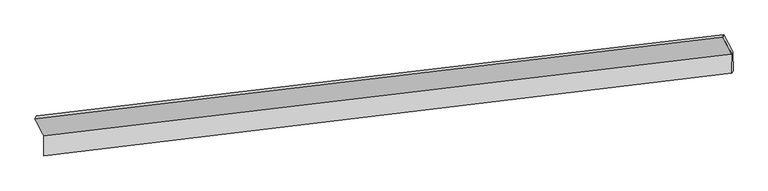
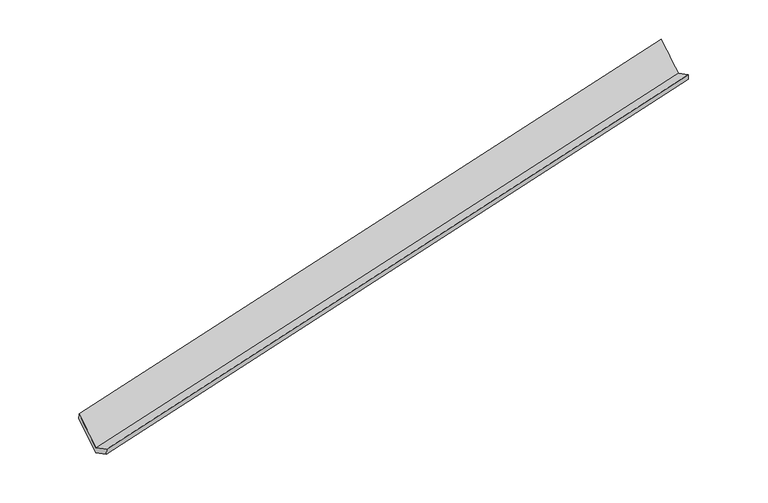
"""IFC4 building model written with IfcOpenShell, lengths in millimetres: proxy geometry."""

import ifcopenshell
import ifcopenshell.guid

model = None  # the IFC model being written
_history = None  # IfcOwnerHistory: only IFC2X3 demands one
_inside = {}  # id of a spatial element -> (the spatial element, [elements in it])
_under = {}  # id of a project, library or spatial element -> (it, [spatial elements below it])
_declared = {}  # id of a project -> (the project, [libraries it declares])
_typed = {}  # id of a type object -> (the type object, [elements of that type])
_made_of = {}  # id of a material, layer set ... -> (it, [elements and type objects made of it])


def new_model(schema):
    """Start an empty IFC model of exactly this schema.

    Asked for "IFC4X3", IfcOpenShell would pick the latest addendum, in which some entities
    have other attributes; the version numbers below select the first issue.
    IFC2X3 requires an IfcOwnerHistory on every rooted entity: one is made here for all.
    """
    global model, _history
    if schema == "IFC4X3":
        model = ifcopenshell.file(schema_version=(4, 3, 0, 0))
    else:
        model = ifcopenshell.file(schema=schema)
    _inside.clear()
    _under.clear()
    _declared.clear()
    _typed.clear()
    _made_of.clear()
    _history = None
    if model.schema == "IFC2X3":
        org = make("IfcOrganization", Name="unknown")
        user = make(
            "IfcPersonAndOrganization",
            ThePerson=make("IfcPerson", FamilyName="unknown"),
            TheOrganization=org,
        )
        app = make(
            "IfcApplication",
            ApplicationDeveloper=org,
            Version="unknown",
            ApplicationFullName="unknown",
            ApplicationIdentifier="unknown",
        )
        _history = make(
            "IfcOwnerHistory",
            OwningUser=user,
            OwningApplication=app,
            ChangeAction="ADDED",
            CreationDate=0,
        )
    return model


def make(cls, **values):
    """One entity of the class cls with the attributes given. An attribute that is None is left unset."""
    return model.create_entity(
        cls, **{name: value for name, value in values.items() if value is not None}
    )


def rooted(cls, **values):
    """An entity with a GlobalId (a new one), such as an element, a storey or a relation."""
    return make(cls, GlobalId=ifcopenshell.guid.new(), OwnerHistory=_history, **values)


def si_unit(unit_type, name, prefix=None):
    """IfcSIUnit, for example si_unit("LENGTHUNIT", "METRE", prefix="MILLI")."""
    return make("IfcSIUnit", UnitType=unit_type, Prefix=prefix, Name=name)


def assignment(units):
    """IfcUnitAssignment: the units of a project."""
    return None if units is None else make("IfcUnitAssignment", Units=units)


def point(xyz):
    """IfcCartesianPoint."""
    return None if xyz is None else make("IfcCartesianPoint", Coordinates=xyz)


def direction(xyz):
    """IfcDirection."""
    return None if xyz is None else make("IfcDirection", DirectionRatios=xyz)


def frame(location, z_axis=None, x_axis=None):
    """IfcAxis2Placement3D, a coordinate frame: its origin and axes. An axis left out is left unset."""
    return make(
        "IfcAxis2Placement3D",
        Location=point(location),
        Axis=direction(z_axis),
        RefDirection=direction(x_axis),
    )


def origin():
    """The frame at (0, 0, 0) with its axes left unset."""
    return frame((0.0, 0.0, 0.0))


def place(relative_to, where):
    """IfcLocalPlacement: puts the frame where relative to a parent placement (None: the world)."""
    return make(
        "IfcLocalPlacement", PlacementRelTo=relative_to, RelativePlacement=where
    )


def context(
    kind, dimensions, precision=None, world=None, true_north=None, identifier=None
):
    """IfcGeometricRepresentationContext, for example the 3D "Model" context."""
    return make(
        "IfcGeometricRepresentationContext",
        ContextIdentifier=identifier,
        ContextType=kind,
        CoordinateSpaceDimension=dimensions,
        Precision=precision,
        WorldCoordinateSystem=world,
        TrueNorth=true_north,
    )


def project(units=None, contexts=None):
    """IfcProject with its units and contexts."""
    return rooted(
        "IfcProject",
        Name="project",
        RepresentationContexts=contexts,
        UnitsInContext=assignment(units),
    )


def spatial(cls, under=None, at=None, **own):
    """A site, building, storey or space (cls), placed at a placement, below another one or the project."""
    s = rooted(cls, ObjectPlacement=at, **own)
    if under is not None:
        _under.setdefault(under.id(), (under, []))[1].append(s)
    return s


def shape(context_of_items, identifier, shape_type, items):
    """IfcShapeRepresentation: the items that make up one representation, for example the "Body"."""
    return make(
        "IfcShapeRepresentation",
        ContextOfItems=context_of_items,
        RepresentationIdentifier=identifier,
        RepresentationType=shape_type,
        Items=items,
    )


def source(mapping_origin, context_of_items, identifier, shape_type, items):
    """IfcRepresentationMap: a shape defined once, which mapped items show again and again."""
    return make(
        "IfcRepresentationMap",
        MappingOrigin=mapping_origin,
        MappedRepresentation=shape(context_of_items, identifier, shape_type, items),
    )


def transform(
    local_origin,
    x_axis=None,
    y_axis=None,
    z_axis=None,
    scale=None,
    scale2=None,
    scale3=None,
    uniform=True,
):
    """IfcCartesianTransformationOperator3D, or its non-uniform kind. x_axis, y_axis, z_axis: its Axis1, 2, 3."""
    if uniform:
        return make(
            "IfcCartesianTransformationOperator3D",
            Axis1=direction(x_axis),
            Axis2=direction(y_axis),
            LocalOrigin=point(local_origin),
            Scale=scale,
            Axis3=direction(z_axis),
        )
    return make(
        "IfcCartesianTransformationOperator3DnonUniform",
        Axis1=direction(x_axis),
        Axis2=direction(y_axis),
        LocalOrigin=point(local_origin),
        Scale=scale,
        Axis3=direction(z_axis),
        Scale2=scale2,
        Scale3=scale3,
    )


def mapped(mapping_source, mapping_target):
    """IfcMappedItem: shows the shape of a source again, moved by a transform."""
    return make(
        "IfcMappedItem", MappingSource=mapping_source, MappingTarget=mapping_target
    )


def made_of(thing, what):
    """Note that an element or type object is made of a material, layer set ...; save() writes the relation."""
    if what is not None:
        _made_of.setdefault(what.id(), (what, []))[1].append(thing)
    return thing


def element(
    cls,
    number,
    at=None,
    inside=None,
    cuts=None,
    type_object=None,
    material=None,
    context=None,
    identifier="Body",
    shape_type=None,
    held_by="IfcProductDefinitionShape",
    body=None,
    shapes=None,
    **own,
):
    """One element of the class cls, such as IfcWall. Its Tag is "e" and its number.

    at: its placement. inside: the storey or other place that contains it. cuts: it is an
    opening in that element (IfcRelVoidsElement). A single representation is given by context,
    identifier, shape_type and body (its items); several are given by shapes. held_by: the class
    of the entity that holds the representations. save() writes the other relations.
    """
    e = rooted(cls, Tag="e%d" % number, ObjectPlacement=at, **own)
    if body is not None:
        shapes = [shape(context, identifier, shape_type, body)]
    if shapes is not None:
        e.Representation = make(held_by, Representations=shapes)
    if inside is not None:
        _inside.setdefault(inside.id(), (inside, []))[1].append(e)
    if cuts is not None:
        rooted(
            "IfcRelVoidsElement", RelatingBuildingElement=cuts, RelatedOpeningElement=e
        )
    if type_object is not None:
        _typed.setdefault(type_object.id(), (type_object, []))[1].append(e)
    return made_of(e, material)


def aggregate(whole, parts):
    """IfcRelAggregates: a whole, such as a stair, and the parts it consists of."""
    return rooted("IfcRelAggregates", RelatingObject=whole, RelatedObjects=parts)


def save(model, path):
    """Write the relations noted so far, then the file.

    IfcRelAggregates (storeys below a building ...), IfcRelContainedInSpatialStructure (elements
    in a storey), IfcRelDefinesByType, IfcRelAssociatesMaterial and IfcRelDeclares: one each for
    every whole, place, type object, material and project.
    """
    for whole, parts in _under.values():
        aggregate(whole, parts)
    for where, things in _inside.values():
        rooted(
            "IfcRelContainedInSpatialStructure",
            RelatedElements=things,
            RelatingStructure=where,
        )
    for kind, things in _typed.values():
        rooted("IfcRelDefinesByType", RelatedObjects=things, RelatingType=kind)
    for what, things in _made_of.values():
        rooted("IfcRelAssociatesMaterial", RelatedObjects=things, RelatingMaterial=what)
    for by, libraries in _declared.values():
        rooted("IfcRelDeclares", RelatingContext=by, RelatedDefinitions=libraries)
    model.write(path)


def plane_surface(at):
    """IfcPlane: the flat surface through the origin of the frame at, square to its z axis."""
    return make("IfcPlane", Position=at)


def spline_surface(u_degree, v_degree, points, u_multiplicities, v_multiplicities, u_knots, v_knots, weights=None):
    """IfcBSplineSurfaceWithKnots; with weights, IfcRationalBSplineSurfaceWithKnots. points: one row for each step in u."""
    own = dict(
        UDegree=u_degree,
        VDegree=v_degree,
        ControlPointsList=[[point(p) for p in row] for row in points],
        SurfaceForm="UNSPECIFIED",
        UClosed=False,
        VClosed=False,
        SelfIntersect=False,
        UMultiplicities=u_multiplicities,
        VMultiplicities=v_multiplicities,
        UKnots=u_knots,
        VKnots=v_knots,
        KnotSpec="UNSPECIFIED",
    )
    if weights is None:
        return make("IfcBSplineSurfaceWithKnots", **own)
    return make("IfcRationalBSplineSurfaceWithKnots", WeightsData=weights, **own)


def advanced_brep(points, edges, surfaces, faces):
    """IfcAdvancedBrep: a solid bounded by faces that lie on surfaces and meet in shared edges.

    An edge is (start, end): straight between two places in points (the first is 0);
    or (start, end, curve); or (start, end, curve, False) where it runs against its curve.
    A face is (place in surfaces, loops), or (place, loops, False) where it looks against
    its surface's normal. A loop lists edges by number (the first is 1), with a minus sign
    where the edge is run from its end to its start. The first loop is the outer one.
    """
    corners = [point(p) for p in points]
    vertices = [make("IfcVertexPoint", VertexGeometry=c) for c in corners]
    made = []
    for start, end, *more in edges:
        made.append(
            make(
                "IfcEdgeCurve",
                EdgeStart=vertices[start],
                EdgeEnd=vertices[end],
                EdgeGeometry=more[0] if more else make("IfcPolyline", Points=[corners[start], corners[end]]),
                SameSense=more[1] if len(more) > 1 else True,
            )
        )
    hull = []
    for where, loops, *sense in faces:
        bounds = []
        for j, loop in enumerate(loops):
            ring = [make("IfcOrientedEdge", EdgeElement=made[abs(k) - 1], Orientation=k > 0) for k in loop]
            bounds.append(
                make(
                    "IfcFaceOuterBound" if j == 0 else "IfcFaceBound",
                    Bound=make("IfcEdgeLoop", EdgeList=ring),
                    Orientation=True,
                )
            )
        hull.append(make("IfcAdvancedFace", Bounds=bounds, FaceSurface=surfaces[where], SameSense=sense[0] if sense else True))
    return make("IfcAdvancedBrep", Outer=make("IfcClosedShell", CfsFaces=hull))


def generic_models_59b51377(model_context):
    return source(origin(), model_context, "Body", "AdvancedBrep", [
        advanced_brep(
        [(-9774.3465777, -2342.4843287, 246.5890753), (-9770.2038796, -2750.5900914, 459.516643), (4147.0151902, -1073.7156421, 3386.3883225), (4143.0524795, -683.3408079, 3182.7117966), (-9744.0888647, -2692.0095893, 299.5288062), (4171.6809598, -1028.3026173, 3244.4297246), (-9748.2516162, -2281.9283243, 85.570528), (4167.6981957, -635.9522809, 3039.7224883), (-9924.0730093, -1940.8190297, 742.7754418), (3987.0748861, -295.416397, 3695.9218052), (-9950.1926957, -2001.3270657, 903.8864085), (3962.4037698, -342.7570362, 3839.0033916)],
        [
            (0, 1),
            (1, 2),
            (2, 3),
            (3, 0),
            (1, 4),
            (4, 5),
            (5, 2),
            (4, 6),
            (6, 7),
            (7, 5),
            (6, 8),
            (8, 9),
            (9, 7),
            (8, 10),
            (10, 11),
            (11, 9),
            (10, 0),
            (3, 11),
        ],
        [
            plane_surface(frame((-9772.2752287, -2546.53721, 353.0528592), z_axis=(-0.2353637017277664, 0.4476969567598809, 0.8626536748991129), x_axis=(0.00899936861581803, -0.8865464297551002, 0.46255209355596033))),
            spline_surface(1, 1, [[(-9770.2038796, -2750.5900914, 459.516643), (4147.0151902, -1073.7156421, 3386.3883225)], [(-9744.0888647, -2692.0095893, 299.5288062), (4171.6809598, -1028.3026173, 3244.4297246)]], [2, 2], [2, 2], [0.0, 1.0], [0.0, 1.0]),
            plane_surface(frame((-9746.1702404, -2486.9689568, 192.5496671), z_axis=(0.2360422132388642, -0.4476154141820469, -0.8625105880833771), x_axis=(-0.008999368615641743, 0.8865464297550616, -0.46255209355603766))),
            spline_surface(1, 1, [[(-9748.2516162, -2281.9283243, 85.570528), (4167.6981957, -635.9522809, 3039.7224883)], [(-9924.0730093, -1940.8190297, 742.7754418), (3987.0748861, -295.416397, 3695.9218052)]], [2, 2], [2, 2], [0.0, 1.0], [0.0, 1.0]),
            spline_surface(1, 1, [[(-9924.0730093, -1940.8190297, 742.7754418), (3987.0748861, -295.416397, 3695.9218052)], [(-9950.1926957, -2001.3270657, 903.8864085), (3962.4037698, -342.7570362, 3839.0033916)]], [2, 2], [2, 2], [0.0, 1.0], [0.0, 1.0]),
            spline_surface(1, 1, [[(-9950.1926957, -2001.3270657, 903.8864085), (3962.4037698, -342.7570362, 3839.0033916)], [(-9774.3465777, -2342.4843287, 246.5890753), (4143.0524795, -683.3408079, 3182.7117966)]], [2, 2], [2, 2], [0.0, 1.0], [0.0, 1.0]),
            plane_surface(frame((4096.4875802, -676.5807969, 3398.0295881), z_axis=(0.9713858320754483, 0.11754004173345665, 0.20638290586283153), x_axis=(-0.16154912044493686, -0.3099915916943491, 0.9369136004788655))),
            plane_surface(frame((-9818.5261072, -2334.8597382, 456.3111505), z_axis=(-0.972905772440759, -0.1146333916593119, -0.20078232857533274), x_axis=(-0.23102677185981185, 0.4482126876887693, 0.8635577671927016))),
        ],
        [
            (0, [[1, 2, 3, 4]]),
            (1, [[5, 6, 7, -2]]),
            (2, [[8, 9, 10, -6]]),
            (3, [[11, 12, 13, -9]]),
            (4, [[14, 15, 16, -12]]),
            (5, [[17, -4, 18, -15]]),
            (6, [[-16, -18, -3, -7, -10, -13]]),
            (7, [[-17, -14, -11, -8, -5, -1]]),
        ],
    ),
    ])


if __name__ == "__main__":
    model = new_model("IFC4")
    model_context = context("Model", 3, world=origin())
    ifc_project = project(units=[si_unit("LENGTHUNIT", "METRE", prefix="MILLI")], contexts=[model_context])
    site = spatial("IfcSite", under=ifc_project)
    building = spatial("IfcBuilding", under=site)
    placement = place(None, origin())
    generic_models_shape = generic_models_59b51377(model_context)
    element("IfcBuildingElementProxy", 1, Name="Generic Models", at=placement, inside=building, context=model_context, shape_type="MappedRepresentation", body=[
        mapped(generic_models_shape, transform((0.0, 0.0, 0.0), x_axis=(1.0, 0.0, 0.0), y_axis=(0.0, 1.0, 0.0), z_axis=(0.0, 0.0, 1.0))),
    ])
    save(model, "model.ifc")
